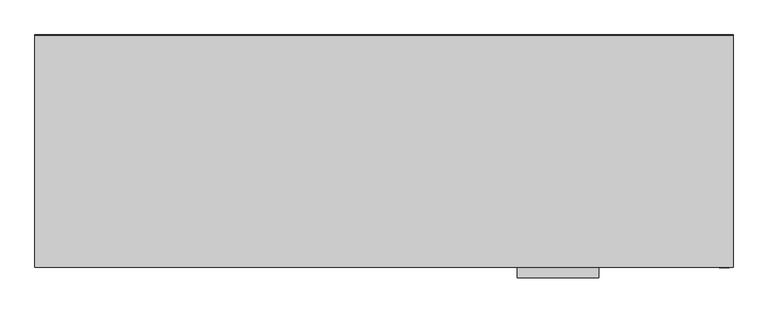
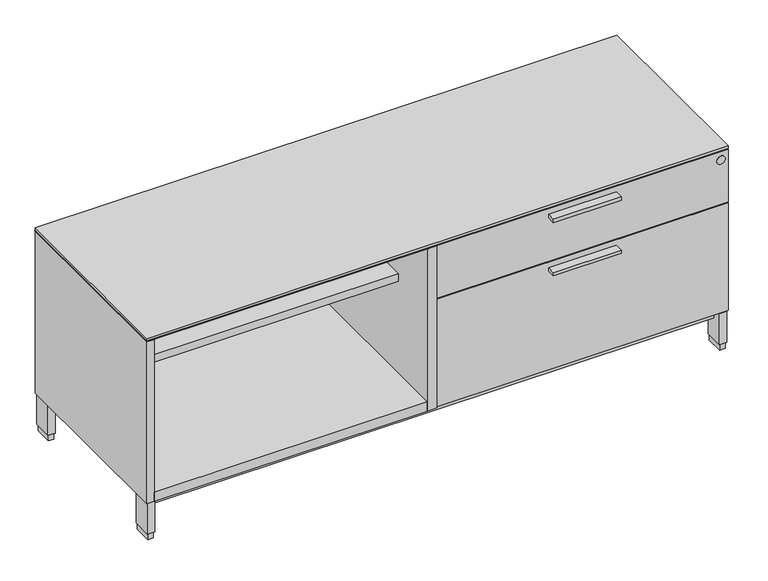
"""IFC4 building model written with IfcOpenShell, lengths in millimetres: furniture geometry."""

import ifcopenshell
import ifcopenshell.guid

model = None  # the IFC model being written
_history = None  # IfcOwnerHistory: only IFC2X3 demands one
_inside = {}  # id of a spatial element -> (the spatial element, [elements in it])
_under = {}  # id of a project, library or spatial element -> (it, [spatial elements below it])
_declared = {}  # id of a project -> (the project, [libraries it declares])
_typed = {}  # id of a type object -> (the type object, [elements of that type])
_made_of = {}  # id of a material, layer set ... -> (it, [elements and type objects made of it])


def new_model(schema):
    """Start an empty IFC model of exactly this schema.

    Asked for "IFC4X3", IfcOpenShell would pick the latest addendum, in which some entities
    have other attributes; the version numbers below select the first issue.
    IFC2X3 requires an IfcOwnerHistory on every rooted entity: one is made here for all.
    """
    global model, _history
    if schema == "IFC4X3":
        model = ifcopenshell.file(schema_version=(4, 3, 0, 0))
    else:
        model = ifcopenshell.file(schema=schema)
    _inside.clear()
    _under.clear()
    _declared.clear()
    _typed.clear()
    _made_of.clear()
    _history = None
    if model.schema == "IFC2X3":
        org = make("IfcOrganization", Name="unknown")
        user = make(
            "IfcPersonAndOrganization",
            ThePerson=make("IfcPerson", FamilyName="unknown"),
            TheOrganization=org,
        )
        app = make(
            "IfcApplication",
            ApplicationDeveloper=org,
            Version="unknown",
            ApplicationFullName="unknown",
            ApplicationIdentifier="unknown",
        )
        _history = make(
            "IfcOwnerHistory",
            OwningUser=user,
            OwningApplication=app,
            ChangeAction="ADDED",
            CreationDate=0,
        )
    return model


def make(cls, **values):
    """One entity of the class cls with the attributes given. An attribute that is None is left unset."""
    return model.create_entity(
        cls, **{name: value for name, value in values.items() if value is not None}
    )


def rooted(cls, **values):
    """An entity with a GlobalId (a new one), such as an element, a storey or a relation."""
    return make(cls, GlobalId=ifcopenshell.guid.new(), OwnerHistory=_history, **values)


def si_unit(unit_type, name, prefix=None):
    """IfcSIUnit, for example si_unit("LENGTHUNIT", "METRE", prefix="MILLI")."""
    return make("IfcSIUnit", UnitType=unit_type, Prefix=prefix, Name=name)


def assignment(units):
    """IfcUnitAssignment: the units of a project."""
    return None if units is None else make("IfcUnitAssignment", Units=units)


def point(xyz):
    """IfcCartesianPoint."""
    return None if xyz is None else make("IfcCartesianPoint", Coordinates=xyz)


def direction(xyz):
    """IfcDirection."""
    return None if xyz is None else make("IfcDirection", DirectionRatios=xyz)


def frame(location, z_axis=None, x_axis=None):
    """IfcAxis2Placement3D, a coordinate frame: its origin and axes. An axis left out is left unset."""
    return make(
        "IfcAxis2Placement3D",
        Location=point(location),
        Axis=direction(z_axis),
        RefDirection=direction(x_axis),
    )


def frame_2d(location, x_axis=None):
    """IfcAxis2Placement2D, a coordinate frame in the plane: its origin and x axis."""
    return make(
        "IfcAxis2Placement2D", Location=point(location), RefDirection=direction(x_axis)
    )


def origin():
    """The frame at (0, 0, 0) with its axes left unset."""
    return frame((0.0, 0.0, 0.0))


def origin_with_axes():
    """The frame at (0, 0, 0) with the z axis (0, 0, 1) and the x axis (1, 0, 0) written out."""
    return frame((0.0, 0.0, 0.0), z_axis=(0.0, 0.0, 1.0), x_axis=(1.0, 0.0, 0.0))


def place(relative_to, where):
    """IfcLocalPlacement: puts the frame where relative to a parent placement (None: the world)."""
    return make(
        "IfcLocalPlacement", PlacementRelTo=relative_to, RelativePlacement=where
    )


def context(
    kind, dimensions, precision=None, world=None, true_north=None, identifier=None
):
    """IfcGeometricRepresentationContext, for example the 3D "Model" context."""
    return make(
        "IfcGeometricRepresentationContext",
        ContextIdentifier=identifier,
        ContextType=kind,
        CoordinateSpaceDimension=dimensions,
        Precision=precision,
        WorldCoordinateSystem=world,
        TrueNorth=true_north,
    )


def project(units=None, contexts=None):
    """IfcProject with its units and contexts."""
    return rooted(
        "IfcProject",
        Name="project",
        RepresentationContexts=contexts,
        UnitsInContext=assignment(units),
    )


def spatial(cls, under=None, at=None, **own):
    """A site, building, storey or space (cls), placed at a placement, below another one or the project."""
    s = rooted(cls, ObjectPlacement=at, **own)
    if under is not None:
        _under.setdefault(under.id(), (under, []))[1].append(s)
    return s


def polyline(points):
    """IfcPolyline through the points."""
    return make("IfcPolyline", Points=[point(p) for p in points])


def circle_curve(where, radius):
    """IfcCircle in the frame where."""
    return make("IfcCircle", Position=where, Radius=radius)


def trimmed(basis, trim1, trim2, sense, master):
    """IfcTrimmedCurve: the piece of a basis curve between two trims."""
    return make(
        "IfcTrimmedCurve",
        BasisCurve=basis,
        Trim1=trim1,
        Trim2=trim2,
        SenseAgreement=sense,
        MasterRepresentation=master,
    )


def segment(curve, same_sense, transition):
    """IfcCompositeCurveSegment."""
    return make(
        "IfcCompositeCurveSegment",
        Transition=transition,
        SameSense=same_sense,
        ParentCurve=curve,
    )


def composite_curve(segments, self_intersect=None):
    """IfcCompositeCurve: segments joined end to end."""
    return make("IfcCompositeCurve", Segments=segments, SelfIntersect=self_intersect)


def outline(outer, holes=None, kind="AREA"):
    """IfcArbitraryClosedProfileDef: a profile drawn as a closed curve; with holes, ...WithVoids."""
    if holes is None:
        return make("IfcArbitraryClosedProfileDef", ProfileType=kind, OuterCurve=outer)
    return make(
        "IfcArbitraryProfileDefWithVoids",
        ProfileType=kind,
        OuterCurve=outer,
        InnerCurves=holes,
    )


def extrude(swept, where, along, depth):
    """IfcExtrudedAreaSolid: the profile swept, set in the frame where, extruded along a direction by depth."""
    return make(
        "IfcExtrudedAreaSolid",
        SweptArea=swept,
        Position=where,
        ExtrudedDirection=direction(along),
        Depth=depth,
    )


def shape(context_of_items, identifier, shape_type, items):
    """IfcShapeRepresentation: the items that make up one representation, for example the "Body"."""
    return make(
        "IfcShapeRepresentation",
        ContextOfItems=context_of_items,
        RepresentationIdentifier=identifier,
        RepresentationType=shape_type,
        Items=items,
    )


def source(mapping_origin, context_of_items, identifier, shape_type, items):
    """IfcRepresentationMap: a shape defined once, which mapped items show again and again."""
    return make(
        "IfcRepresentationMap",
        MappingOrigin=mapping_origin,
        MappedRepresentation=shape(context_of_items, identifier, shape_type, items),
    )


def transform(
    local_origin,
    x_axis=None,
    y_axis=None,
    z_axis=None,
    scale=None,
    scale2=None,
    scale3=None,
    uniform=True,
):
    """IfcCartesianTransformationOperator3D, or its non-uniform kind. x_axis, y_axis, z_axis: its Axis1, 2, 3."""
    if uniform:
        return make(
            "IfcCartesianTransformationOperator3D",
            Axis1=direction(x_axis),
            Axis2=direction(y_axis),
            LocalOrigin=point(local_origin),
            Scale=scale,
            Axis3=direction(z_axis),
        )
    return make(
        "IfcCartesianTransformationOperator3DnonUniform",
        Axis1=direction(x_axis),
        Axis2=direction(y_axis),
        LocalOrigin=point(local_origin),
        Scale=scale,
        Axis3=direction(z_axis),
        Scale2=scale2,
        Scale3=scale3,
    )


def mapped(mapping_source, mapping_target):
    """IfcMappedItem: shows the shape of a source again, moved by a transform."""
    return make(
        "IfcMappedItem", MappingSource=mapping_source, MappingTarget=mapping_target
    )


def made_of(thing, what):
    """Note that an element or type object is made of a material, layer set ...; save() writes the relation."""
    if what is not None:
        _made_of.setdefault(what.id(), (what, []))[1].append(thing)
    return thing


def element(
    cls,
    number,
    at=None,
    inside=None,
    cuts=None,
    type_object=None,
    material=None,
    context=None,
    identifier="Body",
    shape_type=None,
    held_by="IfcProductDefinitionShape",
    body=None,
    shapes=None,
    **own,
):
    """One element of the class cls, such as IfcWall. Its Tag is "e" and its number.

    at: its placement. inside: the storey or other place that contains it. cuts: it is an
    opening in that element (IfcRelVoidsElement). A single representation is given by context,
    identifier, shape_type and body (its items); several are given by shapes. held_by: the class
    of the entity that holds the representations. save() writes the other relations.
    """
    e = rooted(cls, Tag="e%d" % number, ObjectPlacement=at, **own)
    if body is not None:
        shapes = [shape(context, identifier, shape_type, body)]
    if shapes is not None:
        e.Representation = make(held_by, Representations=shapes)
    if inside is not None:
        _inside.setdefault(inside.id(), (inside, []))[1].append(e)
    if cuts is not None:
        rooted(
            "IfcRelVoidsElement", RelatingBuildingElement=cuts, RelatedOpeningElement=e
        )
    if type_object is not None:
        _typed.setdefault(type_object.id(), (type_object, []))[1].append(e)
    return made_of(e, material)


def aggregate(whole, parts):
    """IfcRelAggregates: a whole, such as a stair, and the parts it consists of."""
    return rooted("IfcRelAggregates", RelatingObject=whole, RelatedObjects=parts)


def save(model, path):
    """Write the relations noted so far, then the file.

    IfcRelAggregates (storeys below a building ...), IfcRelContainedInSpatialStructure (elements
    in a storey), IfcRelDefinesByType, IfcRelAssociatesMaterial and IfcRelDeclares: one each for
    every whole, place, type object, material and project.
    """
    for whole, parts in _under.values():
        aggregate(whole, parts)
    for where, things in _inside.values():
        rooted(
            "IfcRelContainedInSpatialStructure",
            RelatedElements=things,
            RelatingStructure=where,
        )
    for kind, things in _typed.values():
        rooted("IfcRelDefinesByType", RelatedObjects=things, RelatingType=kind)
    for what, things in _made_of.values():
        rooted("IfcRelAssociatesMaterial", RelatedObjects=things, RelatingMaterial=what)
    for by, libraries in _declared.values():
        rooted("IfcRelDeclares", RelatingContext=by, RelatedDefinitions=libraries)
    model.write(path)


def furniture_028bc851(model_context):
    return source(origin(), model_context, "Body", "SweptSolid", [
        extrude(outline(polyline([(1230.3125, -528.574), (1052.5125, -528.574), (1052.5125, -506.349), (1230.3125, -506.349), (1230.3125, -528.574)])), frame((0.0, 0.0, 378.83846), z_axis=(0.0, 0.0, 1.0), x_axis=(1.0, 0.0, 0.0)), (0.0, 0.0, 1.0), 9.525),
        extrude(outline(polyline([(1230.3125, -528.574), (1052.5125, -528.574), (1052.5125, -506.349), (1230.3125, -506.349), (1230.3125, -528.574)])), frame((0.0, 0.0, 526.28546), z_axis=(0.0, 0.0, 1.0), x_axis=(1.0, 0.0, 0.0)), (0.0, 0.0, 1.0), 9.525),
        extrude(outline(polyline([(21.0185, -20.828), (735.0125, -20.828), (735.0125, -375.8184), (21.0185, -375.8184), (21.0185, -20.828)])), frame((0.0, 0.0, 383.0828), z_axis=(0.0, 0.0, 1.0), x_axis=(1.0, 0.0, 0.0)), (0.0, 0.0, 1.0), 20.3454),
        extrude(outline(polyline([(21.0185, -20.828), (735.0125, -20.828), (735.0125, -506.349), (21.0185, -506.349), (21.0185, -20.828)])), frame((0.0, 0.0, 103.2002), z_axis=(0.0, 0.0, 1.0), x_axis=(1.0, 0.0, 0.0)), (0.0, 0.0, 1.0), 25.4),
        extrude(outline(polyline([(1.5875, 0.0), (1522.4125, 0.0), (1522.4125, -487.172), (760.4125, -487.172), (760.4125, -506.349), (1.5875, -506.349), (1.5875, 0.0)])), frame((0.0, 0.0, 550.8752), z_axis=(0.0, 0.0, 1.0), x_axis=(1.0, 0.0, 0.0)), (0.0, 0.0, 1.0), 1.5875),
        extrude(outline(polyline([(735.0125, -20.828), (760.4125, -20.828), (760.4125, -506.349), (735.0125, -506.349), (735.0125, -20.828)])), frame((0.0, 0.0, 103.2002), z_axis=(0.0, 0.0, 1.0), x_axis=(1.0, 0.0, 0.0)), (0.0, 0.0, 1.0), 447.675),
        extrude(outline(polyline([(21.2979, -5.715), (21.2979, -52.197), (6.5659, -52.197), (6.5659, -5.715), (21.2979, -5.715)])), origin_with_axes(), (0.0, 0.0, 1.0), 17.399),
        extrude(outline(polyline([(21.2979, -455.676), (21.2979, -502.158), (6.5659, -502.158), (6.5659, -455.676), (21.2979, -455.676)])), origin_with_axes(), (0.0, 0.0, 1.0), 17.399),
        extrude(outline(polyline([(1517.4341, -455.676), (1517.4341, -502.158), (1502.7021, -502.158), (1502.7021, -455.676), (1517.4341, -455.676)])), origin_with_axes(), (0.0, 0.0, 1.0), 17.399),
        extrude(outline(polyline([(1517.4341, -5.715), (1517.4341, -52.197), (1502.7021, -52.197), (1502.7021, -5.715), (1517.4341, -5.715)])), origin_with_axes(), (0.0, 0.0, 1.0), 17.399),
        extrude(outline(polyline([(23.4569, -3.556), (23.4569, -54.356), (4.4069, -54.356), (4.4069, -3.556), (23.4569, -3.556)])), frame((0.0, 0.0, 17.399), z_axis=(0.0, 0.0, 1.0), x_axis=(1.0, 0.0, 0.0)), (0.0, 0.0, 1.0), 85.8012),
        extrude(outline(polyline([(1519.5931, -3.556), (1519.5931, -54.356), (1500.5431, -54.356), (1500.5431, -3.556), (1519.5931, -3.556)])), frame((0.0, 0.0, 17.399), z_axis=(0.0, 0.0, 1.0), x_axis=(1.0, 0.0, 0.0)), (0.0, 0.0, 1.0), 85.8012),
        extrude(outline(polyline([(1519.5931, -453.517), (1519.5931, -504.317), (1500.5431, -504.317), (1500.5431, -453.517), (1519.5931, -453.517)])), frame((0.0, 0.0, 17.399), z_axis=(0.0, 0.0, 1.0), x_axis=(1.0, 0.0, 0.0)), (0.0, 0.0, 1.0), 85.8012),
        extrude(outline(polyline([(23.4569, -453.517), (23.4569, -504.317), (4.4069, -504.317), (4.4069, -453.517), (23.4569, -453.517)])), frame((0.0, 0.0, 17.399), z_axis=(0.0, 0.0, 1.0), x_axis=(1.0, 0.0, 0.0)), (0.0, 0.0, 1.0), 85.8012),
        extrude(outline(polyline([(1500.5431, -26.99766), (1500.5431, -480.87534), (23.4569, -480.87534), (23.4569, -26.99766), (1500.5431, -26.99766)])), frame((0.0, 0.0, 77.8002), z_axis=(0.0, 0.0, 1.0), x_axis=(1.0, 0.0, 0.0)), (0.0, 0.0, 1.0), 25.4),
        extrude(outline(polyline([(1522.4125, -487.172), (1522.4125, -506.349), (760.4125, -506.349), (760.4125, -487.172), (1522.4125, -487.172)])), frame((0.0, 0.0, 106.3752), z_axis=(0.0, 0.0, 1.0), x_axis=(1.0, 0.0, 0.0)), (0.0, 0.0, 1.0), 297.053),
        extrude(outline(polyline([(1522.4125, -487.172), (1522.4125, -506.349), (760.4125, -506.349), (760.4125, -487.172), (1522.4125, -487.172)])), frame((0.0, 0.0, 406.6032), z_axis=(0.0, 0.0, 1.0), x_axis=(1.0, 0.0, 0.0)), (0.0, 0.0, 1.0), 144.272),
        extrude(outline(composite_curve([segment(trimmed(circle_curve(frame_2d((528.3708, 1503.3625)), 11.176), [point((528.3708, 1514.5385))], [point((528.3708, 1492.1865))], False, "CARTESIAN"), True, "CONTINUOUS"), segment(trimmed(circle_curve(frame_2d((528.3708, 1503.3625)), 11.176), [point((528.3708, 1492.1865))], [point((528.3708, 1514.5385))], False, "CARTESIAN"), True, "CONTINUOUS")], self_intersect=False)), frame((0.0, -506.9614948, 0.0), z_axis=(0.0, 1.0, 0.0), x_axis=(0.0, 0.0, 1.0)), (0.0, 0.0, 1.0), 5.0524148),
        extrude(outline(polyline([(1522.4125, -506.349), (1.5875, -506.349), (1.5875, -1.524), (1522.4125, -1.524), (1522.4125, -506.349)])), frame((0.0, 0.0, 554.0502), z_axis=(0.0, 0.0, 1.0), x_axis=(1.0, 0.0, 0.0)), (0.0, 0.0, 1.0), 6.35),
        extrude(outline(polyline([(1.5875, -1.524), (1522.4125, -1.524), (1522.4125, -483.2858), (1502.9815, -483.2858), (1502.9815, -20.828), (21.0185, -20.828), (21.0185, -506.349), (1.5875, -506.349), (1.5875, -1.524)])), frame((0.0, 0.0, 103.2002), z_axis=(0.0, 0.0, 1.0), x_axis=(1.0, 0.0, 0.0)), (0.0, 0.0, 1.0), 447.675),
    ])


if __name__ == "__main__":
    model = new_model("IFC4")
    model_context = context("Model", 3, world=origin())
    ifc_project = project(units=[si_unit("LENGTHUNIT", "METRE", prefix="MILLI")], contexts=[model_context])
    site = spatial("IfcSite", under=ifc_project)
    building = spatial("IfcBuilding", under=site)
    placement = place(None, origin())
    furniture_shape = furniture_028bc851(model_context)
    element("IfcFurniture", 1, at=placement, inside=building, context=model_context, shape_type="MappedRepresentation", body=[
        mapped(furniture_shape, transform((0.0, 0.0, 0.0), x_axis=(1.0, 0.0, 0.0), y_axis=(0.0, 1.0, 0.0), z_axis=(0.0, 0.0, 1.0))),
    ])
    save(model, "model.ifc")
